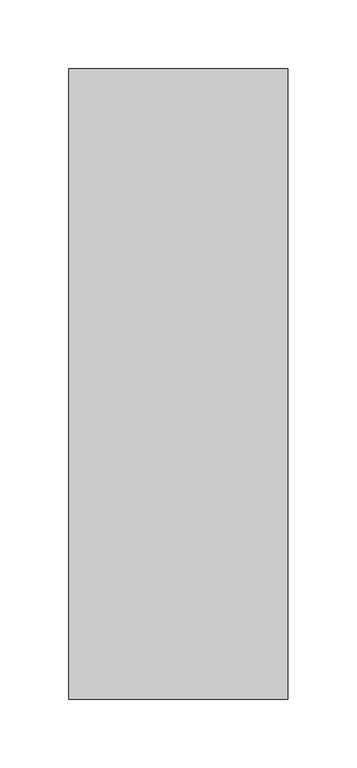
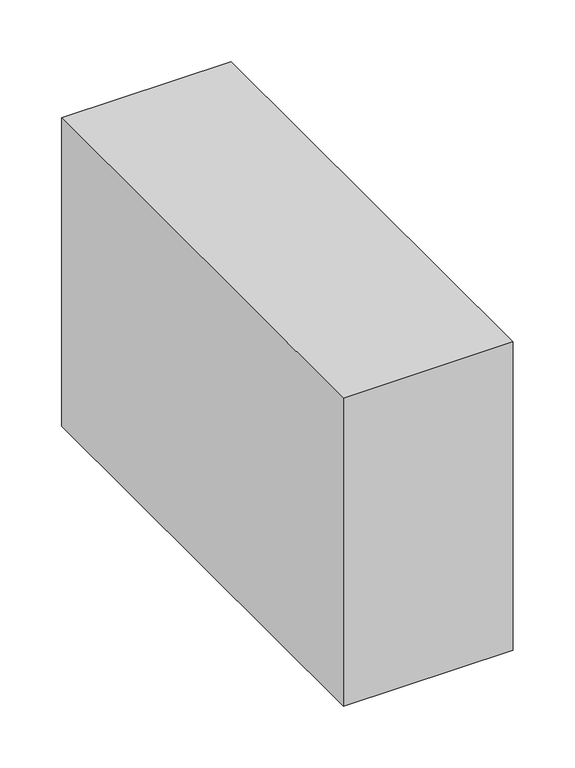
"""IFC4 building model written with IfcOpenShell, lengths in millimetres: proxy geometry."""

import ifcopenshell
import ifcopenshell.guid

model = None  # the IFC model being written
_history = None  # IfcOwnerHistory: only IFC2X3 demands one
_inside = {}  # id of a spatial element -> (the spatial element, [elements in it])
_under = {}  # id of a project, library or spatial element -> (it, [spatial elements below it])
_declared = {}  # id of a project -> (the project, [libraries it declares])
_typed = {}  # id of a type object -> (the type object, [elements of that type])
_made_of = {}  # id of a material, layer set ... -> (it, [elements and type objects made of it])


def new_model(schema):
    """Start an empty IFC model of exactly this schema.

    Asked for "IFC4X3", IfcOpenShell would pick the latest addendum, in which some entities
    have other attributes; the version numbers below select the first issue.
    IFC2X3 requires an IfcOwnerHistory on every rooted entity: one is made here for all.
    """
    global model, _history
    if schema == "IFC4X3":
        model = ifcopenshell.file(schema_version=(4, 3, 0, 0))
    else:
        model = ifcopenshell.file(schema=schema)
    _inside.clear()
    _under.clear()
    _declared.clear()
    _typed.clear()
    _made_of.clear()
    _history = None
    if model.schema == "IFC2X3":
        org = make("IfcOrganization", Name="unknown")
        user = make(
            "IfcPersonAndOrganization",
            ThePerson=make("IfcPerson", FamilyName="unknown"),
            TheOrganization=org,
        )
        app = make(
            "IfcApplication",
            ApplicationDeveloper=org,
            Version="unknown",
            ApplicationFullName="unknown",
            ApplicationIdentifier="unknown",
        )
        _history = make(
            "IfcOwnerHistory",
            OwningUser=user,
            OwningApplication=app,
            ChangeAction="ADDED",
            CreationDate=0,
        )
    return model


def make(cls, **values):
    """One entity of the class cls with the attributes given. An attribute that is None is left unset."""
    return model.create_entity(
        cls, **{name: value for name, value in values.items() if value is not None}
    )


def rooted(cls, **values):
    """An entity with a GlobalId (a new one), such as an element, a storey or a relation."""
    return make(cls, GlobalId=ifcopenshell.guid.new(), OwnerHistory=_history, **values)


def si_unit(unit_type, name, prefix=None):
    """IfcSIUnit, for example si_unit("LENGTHUNIT", "METRE", prefix="MILLI")."""
    return make("IfcSIUnit", UnitType=unit_type, Prefix=prefix, Name=name)


def assignment(units):
    """IfcUnitAssignment: the units of a project."""
    return None if units is None else make("IfcUnitAssignment", Units=units)


def point(xyz):
    """IfcCartesianPoint."""
    return None if xyz is None else make("IfcCartesianPoint", Coordinates=xyz)


def direction(xyz):
    """IfcDirection."""
    return None if xyz is None else make("IfcDirection", DirectionRatios=xyz)


def frame(location, z_axis=None, x_axis=None):
    """IfcAxis2Placement3D, a coordinate frame: its origin and axes. An axis left out is left unset."""
    return make(
        "IfcAxis2Placement3D",
        Location=point(location),
        Axis=direction(z_axis),
        RefDirection=direction(x_axis),
    )


def origin():
    """The frame at (0, 0, 0) with its axes left unset."""
    return frame((0.0, 0.0, 0.0))


def origin_with_axes():
    """The frame at (0, 0, 0) with the z axis (0, 0, 1) and the x axis (1, 0, 0) written out."""
    return frame((0.0, 0.0, 0.0), z_axis=(0.0, 0.0, 1.0), x_axis=(1.0, 0.0, 0.0))


def place(relative_to, where):
    """IfcLocalPlacement: puts the frame where relative to a parent placement (None: the world)."""
    return make(
        "IfcLocalPlacement", PlacementRelTo=relative_to, RelativePlacement=where
    )


def context(
    kind, dimensions, precision=None, world=None, true_north=None, identifier=None
):
    """IfcGeometricRepresentationContext, for example the 3D "Model" context."""
    return make(
        "IfcGeometricRepresentationContext",
        ContextIdentifier=identifier,
        ContextType=kind,
        CoordinateSpaceDimension=dimensions,
        Precision=precision,
        WorldCoordinateSystem=world,
        TrueNorth=true_north,
    )


def project(units=None, contexts=None):
    """IfcProject with its units and contexts."""
    return rooted(
        "IfcProject",
        Name="project",
        RepresentationContexts=contexts,
        UnitsInContext=assignment(units),
    )


def spatial(cls, under=None, at=None, **own):
    """A site, building, storey or space (cls), placed at a placement, below another one or the project."""
    s = rooted(cls, ObjectPlacement=at, **own)
    if under is not None:
        _under.setdefault(under.id(), (under, []))[1].append(s)
    return s


def polyline(points):
    """IfcPolyline through the points."""
    return make("IfcPolyline", Points=[point(p) for p in points])


def outline(outer, holes=None, kind="AREA"):
    """IfcArbitraryClosedProfileDef: a profile drawn as a closed curve; with holes, ...WithVoids."""
    if holes is None:
        return make("IfcArbitraryClosedProfileDef", ProfileType=kind, OuterCurve=outer)
    return make(
        "IfcArbitraryProfileDefWithVoids",
        ProfileType=kind,
        OuterCurve=outer,
        InnerCurves=holes,
    )


def extrude(swept, where, along, depth):
    """IfcExtrudedAreaSolid: the profile swept, set in the frame where, extruded along a direction by depth."""
    return make(
        "IfcExtrudedAreaSolid",
        SweptArea=swept,
        Position=where,
        ExtrudedDirection=direction(along),
        Depth=depth,
    )


def shape(context_of_items, identifier, shape_type, items):
    """IfcShapeRepresentation: the items that make up one representation, for example the "Body"."""
    return make(
        "IfcShapeRepresentation",
        ContextOfItems=context_of_items,
        RepresentationIdentifier=identifier,
        RepresentationType=shape_type,
        Items=items,
    )


def source(mapping_origin, context_of_items, identifier, shape_type, items):
    """IfcRepresentationMap: a shape defined once, which mapped items show again and again."""
    return make(
        "IfcRepresentationMap",
        MappingOrigin=mapping_origin,
        MappedRepresentation=shape(context_of_items, identifier, shape_type, items),
    )


def transform(
    local_origin,
    x_axis=None,
    y_axis=None,
    z_axis=None,
    scale=None,
    scale2=None,
    scale3=None,
    uniform=True,
):
    """IfcCartesianTransformationOperator3D, or its non-uniform kind. x_axis, y_axis, z_axis: its Axis1, 2, 3."""
    if uniform:
        return make(
            "IfcCartesianTransformationOperator3D",
            Axis1=direction(x_axis),
            Axis2=direction(y_axis),
            LocalOrigin=point(local_origin),
            Scale=scale,
            Axis3=direction(z_axis),
        )
    return make(
        "IfcCartesianTransformationOperator3DnonUniform",
        Axis1=direction(x_axis),
        Axis2=direction(y_axis),
        LocalOrigin=point(local_origin),
        Scale=scale,
        Axis3=direction(z_axis),
        Scale2=scale2,
        Scale3=scale3,
    )


def mapped(mapping_source, mapping_target):
    """IfcMappedItem: shows the shape of a source again, moved by a transform."""
    return make(
        "IfcMappedItem", MappingSource=mapping_source, MappingTarget=mapping_target
    )


def made_of(thing, what):
    """Note that an element or type object is made of a material, layer set ...; save() writes the relation."""
    if what is not None:
        _made_of.setdefault(what.id(), (what, []))[1].append(thing)
    return thing


def element(
    cls,
    number,
    at=None,
    inside=None,
    cuts=None,
    type_object=None,
    material=None,
    context=None,
    identifier="Body",
    shape_type=None,
    held_by="IfcProductDefinitionShape",
    body=None,
    shapes=None,
    **own,
):
    """One element of the class cls, such as IfcWall. Its Tag is "e" and its number.

    at: its placement. inside: the storey or other place that contains it. cuts: it is an
    opening in that element (IfcRelVoidsElement). A single representation is given by context,
    identifier, shape_type and body (its items); several are given by shapes. held_by: the class
    of the entity that holds the representations. save() writes the other relations.
    """
    e = rooted(cls, Tag="e%d" % number, ObjectPlacement=at, **own)
    if body is not None:
        shapes = [shape(context, identifier, shape_type, body)]
    if shapes is not None:
        e.Representation = make(held_by, Representations=shapes)
    if inside is not None:
        _inside.setdefault(inside.id(), (inside, []))[1].append(e)
    if cuts is not None:
        rooted(
            "IfcRelVoidsElement", RelatingBuildingElement=cuts, RelatedOpeningElement=e
        )
    if type_object is not None:
        _typed.setdefault(type_object.id(), (type_object, []))[1].append(e)
    return made_of(e, material)


def aggregate(whole, parts):
    """IfcRelAggregates: a whole, such as a stair, and the parts it consists of."""
    return rooted("IfcRelAggregates", RelatingObject=whole, RelatedObjects=parts)


def save(model, path):
    """Write the relations noted so far, then the file.

    IfcRelAggregates (storeys below a building ...), IfcRelContainedInSpatialStructure (elements
    in a storey), IfcRelDefinesByType, IfcRelAssociatesMaterial and IfcRelDeclares: one each for
    every whole, place, type object, material and project.
    """
    for whole, parts in _under.values():
        aggregate(whole, parts)
    for where, things in _inside.values():
        rooted(
            "IfcRelContainedInSpatialStructure",
            RelatedElements=things,
            RelatingStructure=where,
        )
    for kind, things in _typed.values():
        rooted("IfcRelDefinesByType", RelatedObjects=things, RelatingType=kind)
    for what, things in _made_of.values():
        rooted("IfcRelAssociatesMaterial", RelatedObjects=things, RelatingMaterial=what)
    for by, libraries in _declared.values():
        rooted("IfcRelDeclares", RelatingContext=by, RelatedDefinitions=libraries)
    model.write(path)


def specialty_equipment_82952bea(model_context):
    return source(origin(), model_context, "Body", "SweptSolid", [
        extrude(outline(polyline([(48.1003244, 83.4579753), (48.1003244, -373.7420247), (-110.6496756, -373.7420247), (-110.6496756, 83.4579753), (48.1003244, 83.4579753)])), origin_with_axes(), (0.0, 0.0, 1.0), 304.8),
    ])


if __name__ == "__main__":
    model = new_model("IFC4")
    model_context = context("Model", 3, world=origin())
    ifc_project = project(units=[si_unit("LENGTHUNIT", "METRE", prefix="MILLI")], contexts=[model_context])
    site = spatial("IfcSite", under=ifc_project)
    building = spatial("IfcBuilding", under=site)
    placement = place(None, origin())
    specialty_equipment_shape = specialty_equipment_82952bea(model_context)
    element("IfcBuildingElementProxy", 1, Name="Specialty Equipment", at=placement, inside=building, context=model_context, shape_type="MappedRepresentation", body=[
        mapped(specialty_equipment_shape, transform((0.0, 0.0, 0.0), x_axis=(1.0, 0.0, 0.0), y_axis=(0.0, 1.0, 0.0), z_axis=(0.0, 0.0, 1.0))),
    ])
    save(model, "model.ifc")
